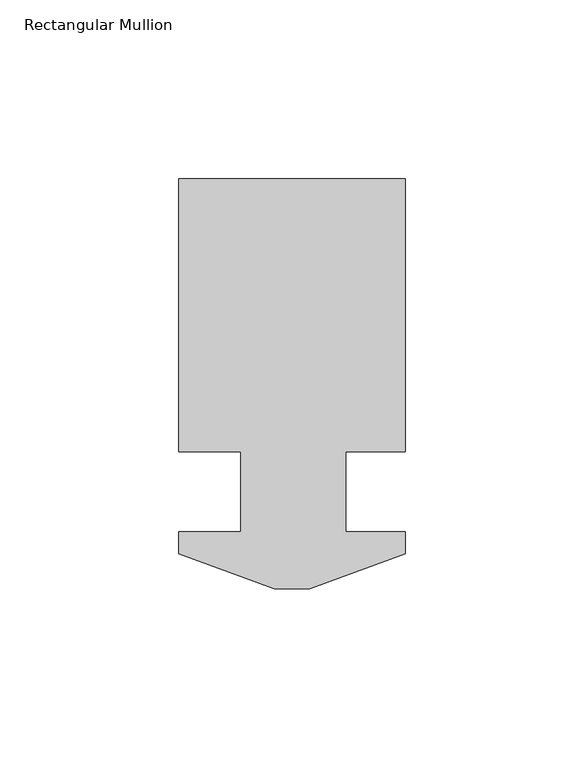
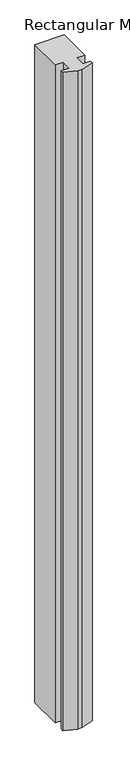
"""IFC4 building model written with IfcOpenShell, lengths in millimetres: member geometry, Rectangular Mullion."""

from ifc_helpers import new_model, si_unit, frame, origin, place, context, project, spatial, polyline, outline, extrude, source, transform, mapped, element, save


def rectangular_mullion_523ef301(model_context):
    return source(origin(), model_context, "Body", "SweptSolid", [
        extrude(outline(polyline([(4.9272021, 0.168275), (-4.9772064, 0.168275), (-31.7750021, 9.921875), (-31.7750021, 16.017875), (-14.2875, 16.017875), (-14.2875, 38.496875), (-31.75, 38.496875), (-31.75, 115.027075), (31.75, 115.027075), (31.75, 38.496875), (15.065769, 38.496875), (15.065769, 16.017875), (31.7249979, 16.017875), (31.7249979, 9.921875), (4.9272021, 0.168275)])), frame((0.0, 0.0, -1511.3), z_axis=(0.0, 0.0, 1.0), x_axis=(1.0, 0.0, 0.0)), (0.0, 0.0, 1.0), 1511.3),
    ])


if __name__ == "__main__":
    model = new_model("IFC4")
    model_context = context("Model", 3, world=origin())
    ifc_project = project(units=[si_unit("LENGTHUNIT", "METRE", prefix="MILLI")], contexts=[model_context])
    site = spatial("IfcSite", under=ifc_project)
    building = spatial("IfcBuilding", under=site)
    placement = place(None, origin())
    rectangular_mullion_shape = rectangular_mullion_523ef301(model_context)
    element("IfcMember", 1, ObjectType="Rectangular Mullion", at=placement, inside=building, context=model_context, shape_type="MappedRepresentation", body=[
        mapped(rectangular_mullion_shape, transform((0.0, 0.0, 0.0), x_axis=(1.0, 0.0, 0.0), y_axis=(0.0, 1.0, 0.0), z_axis=(0.0, 0.0, 1.0))),
    ])
    save(model, "model.ifc")
